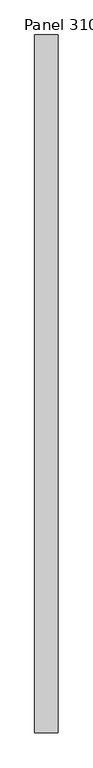
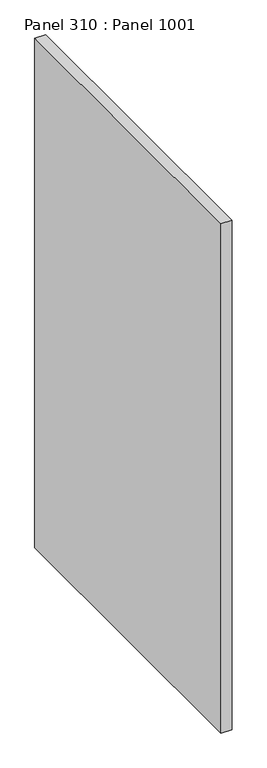
"""IFC4 building model written with IfcOpenShell, lengths in millimetres: proxy geometry, Panel 310 : Panel 1001."""

import ifcopenshell
import ifcopenshell.guid

model = None  # the IFC model being written
_history = None  # IfcOwnerHistory: only IFC2X3 demands one
_inside = {}  # id of a spatial element -> (the spatial element, [elements in it])
_under = {}  # id of a project, library or spatial element -> (it, [spatial elements below it])
_declared = {}  # id of a project -> (the project, [libraries it declares])
_typed = {}  # id of a type object -> (the type object, [elements of that type])
_made_of = {}  # id of a material, layer set ... -> (it, [elements and type objects made of it])


def new_model(schema):
    """Start an empty IFC model of exactly this schema.

    Asked for "IFC4X3", IfcOpenShell would pick the latest addendum, in which some entities
    have other attributes; the version numbers below select the first issue.
    IFC2X3 requires an IfcOwnerHistory on every rooted entity: one is made here for all.
    """
    global model, _history
    if schema == "IFC4X3":
        model = ifcopenshell.file(schema_version=(4, 3, 0, 0))
    else:
        model = ifcopenshell.file(schema=schema)
    _inside.clear()
    _under.clear()
    _declared.clear()
    _typed.clear()
    _made_of.clear()
    _history = None
    if model.schema == "IFC2X3":
        org = make("IfcOrganization", Name="unknown")
        user = make(
            "IfcPersonAndOrganization",
            ThePerson=make("IfcPerson", FamilyName="unknown"),
            TheOrganization=org,
        )
        app = make(
            "IfcApplication",
            ApplicationDeveloper=org,
            Version="unknown",
            ApplicationFullName="unknown",
            ApplicationIdentifier="unknown",
        )
        _history = make(
            "IfcOwnerHistory",
            OwningUser=user,
            OwningApplication=app,
            ChangeAction="ADDED",
            CreationDate=0,
        )
    return model


def make(cls, **values):
    """One entity of the class cls with the attributes given. An attribute that is None is left unset."""
    return model.create_entity(
        cls, **{name: value for name, value in values.items() if value is not None}
    )


def rooted(cls, **values):
    """An entity with a GlobalId (a new one), such as an element, a storey or a relation."""
    return make(cls, GlobalId=ifcopenshell.guid.new(), OwnerHistory=_history, **values)


def si_unit(unit_type, name, prefix=None):
    """IfcSIUnit, for example si_unit("LENGTHUNIT", "METRE", prefix="MILLI")."""
    return make("IfcSIUnit", UnitType=unit_type, Prefix=prefix, Name=name)


def assignment(units):
    """IfcUnitAssignment: the units of a project."""
    return None if units is None else make("IfcUnitAssignment", Units=units)


def point(xyz):
    """IfcCartesianPoint."""
    return None if xyz is None else make("IfcCartesianPoint", Coordinates=xyz)


def direction(xyz):
    """IfcDirection."""
    return None if xyz is None else make("IfcDirection", DirectionRatios=xyz)


def frame(location, z_axis=None, x_axis=None):
    """IfcAxis2Placement3D, a coordinate frame: its origin and axes. An axis left out is left unset."""
    return make(
        "IfcAxis2Placement3D",
        Location=point(location),
        Axis=direction(z_axis),
        RefDirection=direction(x_axis),
    )


def origin():
    """The frame at (0, 0, 0) with its axes left unset."""
    return frame((0.0, 0.0, 0.0))


def place(relative_to, where):
    """IfcLocalPlacement: puts the frame where relative to a parent placement (None: the world)."""
    return make(
        "IfcLocalPlacement", PlacementRelTo=relative_to, RelativePlacement=where
    )


def context(
    kind, dimensions, precision=None, world=None, true_north=None, identifier=None
):
    """IfcGeometricRepresentationContext, for example the 3D "Model" context."""
    return make(
        "IfcGeometricRepresentationContext",
        ContextIdentifier=identifier,
        ContextType=kind,
        CoordinateSpaceDimension=dimensions,
        Precision=precision,
        WorldCoordinateSystem=world,
        TrueNorth=true_north,
    )


def project(units=None, contexts=None):
    """IfcProject with its units and contexts."""
    return rooted(
        "IfcProject",
        Name="project",
        RepresentationContexts=contexts,
        UnitsInContext=assignment(units),
    )


def spatial(cls, under=None, at=None, **own):
    """A site, building, storey or space (cls), placed at a placement, below another one or the project."""
    s = rooted(cls, ObjectPlacement=at, **own)
    if under is not None:
        _under.setdefault(under.id(), (under, []))[1].append(s)
    return s


def polyline(points):
    """IfcPolyline through the points."""
    return make("IfcPolyline", Points=[point(p) for p in points])


def outline(outer, holes=None, kind="AREA"):
    """IfcArbitraryClosedProfileDef: a profile drawn as a closed curve; with holes, ...WithVoids."""
    if holes is None:
        return make("IfcArbitraryClosedProfileDef", ProfileType=kind, OuterCurve=outer)
    return make(
        "IfcArbitraryProfileDefWithVoids",
        ProfileType=kind,
        OuterCurve=outer,
        InnerCurves=holes,
    )


def extrude(swept, where, along, depth):
    """IfcExtrudedAreaSolid: the profile swept, set in the frame where, extruded along a direction by depth."""
    return make(
        "IfcExtrudedAreaSolid",
        SweptArea=swept,
        Position=where,
        ExtrudedDirection=direction(along),
        Depth=depth,
    )


def shape(context_of_items, identifier, shape_type, items):
    """IfcShapeRepresentation: the items that make up one representation, for example the "Body"."""
    return make(
        "IfcShapeRepresentation",
        ContextOfItems=context_of_items,
        RepresentationIdentifier=identifier,
        RepresentationType=shape_type,
        Items=items,
    )


def source(mapping_origin, context_of_items, identifier, shape_type, items):
    """IfcRepresentationMap: a shape defined once, which mapped items show again and again."""
    return make(
        "IfcRepresentationMap",
        MappingOrigin=mapping_origin,
        MappedRepresentation=shape(context_of_items, identifier, shape_type, items),
    )


def transform(
    local_origin,
    x_axis=None,
    y_axis=None,
    z_axis=None,
    scale=None,
    scale2=None,
    scale3=None,
    uniform=True,
):
    """IfcCartesianTransformationOperator3D, or its non-uniform kind. x_axis, y_axis, z_axis: its Axis1, 2, 3."""
    if uniform:
        return make(
            "IfcCartesianTransformationOperator3D",
            Axis1=direction(x_axis),
            Axis2=direction(y_axis),
            LocalOrigin=point(local_origin),
            Scale=scale,
            Axis3=direction(z_axis),
        )
    return make(
        "IfcCartesianTransformationOperator3DnonUniform",
        Axis1=direction(x_axis),
        Axis2=direction(y_axis),
        LocalOrigin=point(local_origin),
        Scale=scale,
        Axis3=direction(z_axis),
        Scale2=scale2,
        Scale3=scale3,
    )


def mapped(mapping_source, mapping_target):
    """IfcMappedItem: shows the shape of a source again, moved by a transform."""
    return make(
        "IfcMappedItem", MappingSource=mapping_source, MappingTarget=mapping_target
    )


def made_of(thing, what):
    """Note that an element or type object is made of a material, layer set ...; save() writes the relation."""
    if what is not None:
        _made_of.setdefault(what.id(), (what, []))[1].append(thing)
    return thing


def element(
    cls,
    number,
    at=None,
    inside=None,
    cuts=None,
    type_object=None,
    material=None,
    context=None,
    identifier="Body",
    shape_type=None,
    held_by="IfcProductDefinitionShape",
    body=None,
    shapes=None,
    **own,
):
    """One element of the class cls, such as IfcWall. Its Tag is "e" and its number.

    at: its placement. inside: the storey or other place that contains it. cuts: it is an
    opening in that element (IfcRelVoidsElement). A single representation is given by context,
    identifier, shape_type and body (its items); several are given by shapes. held_by: the class
    of the entity that holds the representations. save() writes the other relations.
    """
    e = rooted(cls, Tag="e%d" % number, ObjectPlacement=at, **own)
    if body is not None:
        shapes = [shape(context, identifier, shape_type, body)]
    if shapes is not None:
        e.Representation = make(held_by, Representations=shapes)
    if inside is not None:
        _inside.setdefault(inside.id(), (inside, []))[1].append(e)
    if cuts is not None:
        rooted(
            "IfcRelVoidsElement", RelatingBuildingElement=cuts, RelatedOpeningElement=e
        )
    if type_object is not None:
        _typed.setdefault(type_object.id(), (type_object, []))[1].append(e)
    return made_of(e, material)


def aggregate(whole, parts):
    """IfcRelAggregates: a whole, such as a stair, and the parts it consists of."""
    return rooted("IfcRelAggregates", RelatingObject=whole, RelatedObjects=parts)


def save(model, path):
    """Write the relations noted so far, then the file.

    IfcRelAggregates (storeys below a building ...), IfcRelContainedInSpatialStructure (elements
    in a storey), IfcRelDefinesByType, IfcRelAssociatesMaterial and IfcRelDeclares: one each for
    every whole, place, type object, material and project.
    """
    for whole, parts in _under.values():
        aggregate(whole, parts)
    for where, things in _inside.values():
        rooted(
            "IfcRelContainedInSpatialStructure",
            RelatedElements=things,
            RelatingStructure=where,
        )
    for kind, things in _typed.values():
        rooted("IfcRelDefinesByType", RelatedObjects=things, RelatingType=kind)
    for what, things in _made_of.values():
        rooted("IfcRelAssociatesMaterial", RelatedObjects=things, RelatingMaterial=what)
    for by, libraries in _declared.values():
        rooted("IfcRelDeclares", RelatingContext=by, RelatedDefinitions=libraries)
    model.write(path)


def panel_310_panel_1001_5b2a60c0(model_context):
    return source(origin(), model_context, "Body", "SweptSolid", [
        extrude(outline(polyline([(26317.4760568, 337705.7856665), (26367.4760989, 337705.7856669), (26367.476045, 336205.7856554), (26317.4760029, 336205.785655), (26317.4760568, 337705.7856665)])), frame((0.0, 0.0, 34575.0), z_axis=(0.0, 0.0, 1.0), x_axis=(1.0, 0.0, 0.0)), (0.0, 0.0, 1.0), 2500.0),
    ])


if __name__ == "__main__":
    model = new_model("IFC4")
    model_context = context("Model", 3, world=origin())
    ifc_project = project(units=[si_unit("LENGTHUNIT", "METRE", prefix="MILLI")], contexts=[model_context])
    site = spatial("IfcSite", under=ifc_project)
    building = spatial("IfcBuilding", under=site)
    placement = place(None, origin())
    panel_310_panel_1001_shape = panel_310_panel_1001_5b2a60c0(model_context)
    element("IfcBuildingElementProxy", 1, Name="Panel 310 : Panel 1001", ObjectType="Panel 310 : Panel 1001", at=placement, inside=building, context=model_context, shape_type="MappedRepresentation", body=[
        mapped(panel_310_panel_1001_shape, transform((0.0, 0.0, 0.0), x_axis=(1.0, 0.0, 0.0), y_axis=(0.0, 1.0, 0.0), z_axis=(0.0, 0.0, 1.0))),
    ])
    save(model, "model.ifc")
